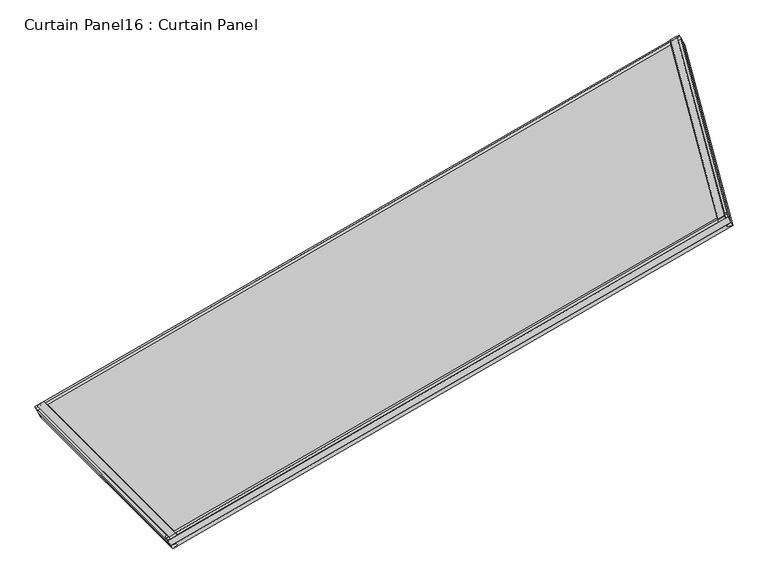
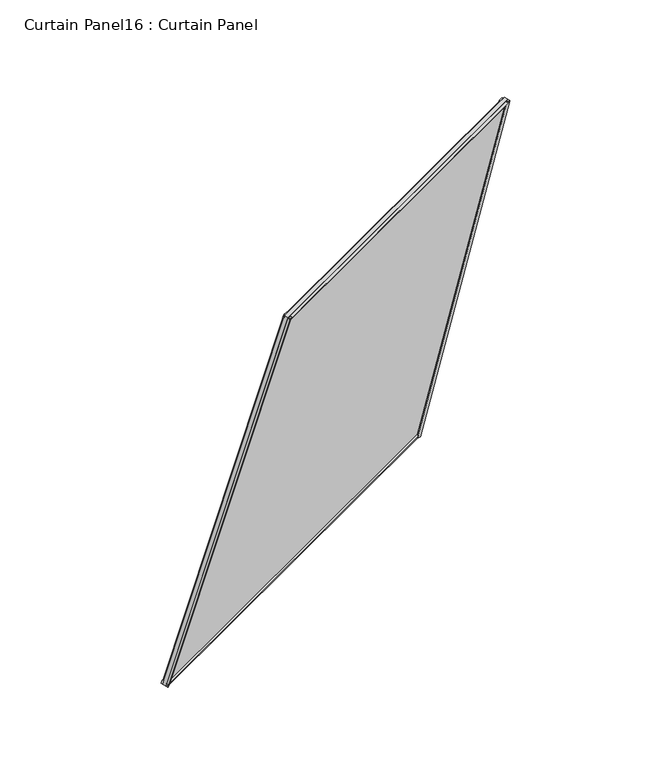
"""IFC4 building model written with IfcOpenShell, lengths in millimetres: plate geometry, Curtain Panel16 : Curtain Panel."""

from ifc_helpers import new_model, si_unit, frame, origin, place, context, project, spatial, polyline, outline, extrude, source, transform, mapped, element, save


def curtain_panel16_curtain_panel_a3dba5ef(model_context):
    return source(origin(), model_context, "Body", "SweptSolid", [
        extrude(outline(polyline([(22.2794791, -5.8689469), (22.2882717, -20.9890896), (17.5121094, -24.0709891), (17.5015261, -5.8717254), (22.2794791, -5.8689469)])), frame((-14336.6112841, -11552.3765376, 980.3279056), z_axis=(0.183012701892223, -0.183012701892215, 0.9659258262890684), x_axis=(-0.484050172943191, 0.838399492950101, 0.25056280708573003)), (0.0, 0.0, 1.0), 1495.7393671),
        extrude(outline(polyline([(-1.6371094, 0.0), (4.7128906, 0.0), (4.7128906, -11.4749739), (-0.0826892, -12.7161612), (-3.2648368, -0.4212869), (-1.6371094, 0.0)])), frame((-14336.6112841, -11552.3765376, 980.3279056), z_axis=(0.183012701892223, -0.183012701892215, 0.9659258262890684), x_axis=(-0.484050172943191, 0.838399492950101, 0.25056280708573003)), (0.0, 0.0, 1.0), 1495.7393671),
        extrude(outline(polyline([(22.2794791, 5.8689469), (17.5015262, 5.8717253), (17.5121094, 24.0709891), (22.2882718, 20.9890896), (22.2794791, 5.8689469)])), frame((-12998.8059243, -10779.994253, 980.3279056), z_axis=(0.06698729810778023, -0.24999999999999875, 0.9659258262890686), x_axis=(-0.48405017294319086, 0.838399492950101, 0.25056280708573003)), (0.0, 0.0, 1.0), 1495.739367),
        extrude(outline(polyline([(-1.6371094, 0.0), (-3.2648368, 0.4212869), (-0.0826892, 12.7161613), (4.7128906, 11.4749739), (4.7128906, 0.0), (-1.6371094, 0.0)])), frame((-12998.8059243, -10779.994253, 980.3279056), z_axis=(0.06698729810778023, -0.24999999999999875, 0.9659258262890686), x_axis=(-0.48405017294319086, 0.838399492950101, 0.25056280708573003)), (0.0, 0.0, 1.0), 1495.739367),
        extrude(outline(polyline([(4.7128906, 0.0), (-0.0992188, 0.0), (-0.0992188, 10.3383034), (4.7128906, 11.5612584), (4.7128906, 0.0)])), frame((-14336.5751661, -11552.3989444, 980.472655), z_axis=(0.8660254037844364, 0.500000000000004, 0.0), x_axis=(-0.4840501729431908, 0.838399492950101, 0.25056280708573003)), (0.0, 0.0, 1.0), 1544.7244167),
        extrude(outline(polyline([(17.5121093, 16.9465984), (22.3807369, 12.4442107), (22.3807368, 0.0), (17.5121094, 0.0), (17.5121093, 16.9465984)])), frame((-14336.5751661, -11552.3989444, 980.472655), z_axis=(0.8660254037844364, 0.500000000000004, 0.0), x_axis=(-0.4840501729431908, 0.838399492950101, 0.25056280708573003)), (0.0, 0.0, 1.0), 1544.7244167),
        extrude(outline(polyline([(4.7125295, 0.0863413), (4.7125296, -13.7831804), (-0.2321305, -12.7033599), (-3.0164416, -1.934637), (4.7125295, 0.0863413)])), frame((-14062.8358482, -11826.1382387, 2425.245939), z_axis=(0.8660254037844365, 0.500000000000004, 0.0), x_axis=(-0.48405017294319086, 0.8383994929501009, 0.2505628070857299)), (0.0, 0.0, 1.0), 1344.3333043),
        extrude(outline(polyline([(22.1659747, -21.9991652), (17.5117483, -24.2710769), (17.5117483, -4.0711011), (22.3123567, -5.3367941), (22.1659747, -21.9991652)])), frame((-14062.8358482, -11826.1382387, 2425.245939), z_axis=(0.8660254037844365, 0.500000000000004, 0.0), x_axis=(-0.48405017294319086, 0.8383994929501009, 0.2505628070857299)), (0.0, 0.0, 1.0), 1344.3333043),
        extrude(outline(polyline([(-69.2031684, 0.0), (-172.6814282, -1541.274731), (-1654.9971384, -1341.3337659), (-1564.9425354, 0.0), (-69.2031684, 0.0)])), frame((-14351.530193, -11535.7876191, 914.8084025), z_axis=(-0.48405017294319086, 0.838399492950101, 0.25056280708573), x_axis=(-0.18301270189222152, 0.18301270189221586, -0.9659258262890685)), (0.0, 0.0, 1.0), 12.7992187),
    ])


if __name__ == "__main__":
    model = new_model("IFC4")
    model_context = context("Model", 3, world=origin())
    ifc_project = project(units=[si_unit("LENGTHUNIT", "METRE", prefix="MILLI")], contexts=[model_context])
    site = spatial("IfcSite", under=ifc_project)
    building = spatial("IfcBuilding", under=site)
    placement = place(None, origin())
    curtain_panel16_curtain_panel_shape = curtain_panel16_curtain_panel_a3dba5ef(model_context)
    element("IfcPlate", 1, ObjectType="Curtain Panel16 : Curtain Panel", at=placement, inside=building, context=model_context, shape_type="MappedRepresentation", body=[
        mapped(curtain_panel16_curtain_panel_shape, transform((0.0, 0.0, 0.0), x_axis=(1.0, 0.0, 0.0), y_axis=(0.0, 1.0, 0.0), z_axis=(0.0, 0.0, 1.0))),
    ])
    save(model, "model.ifc")
